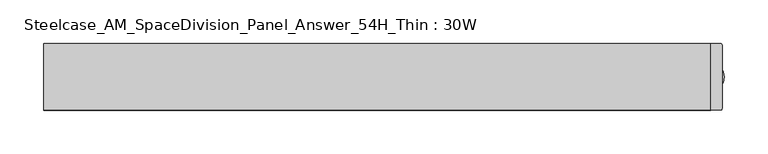
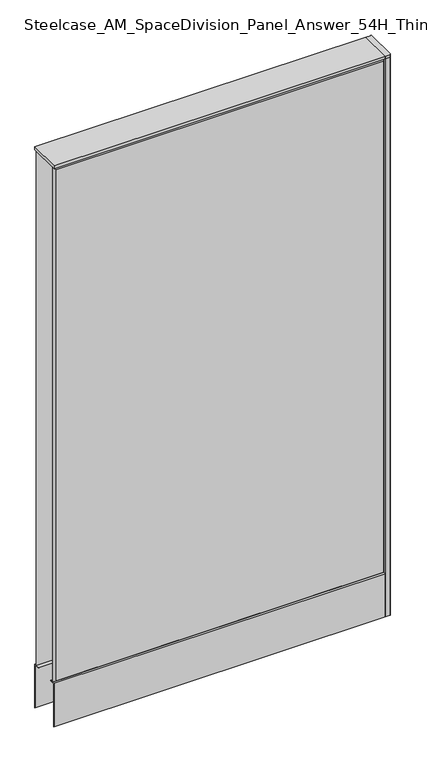
"""IFC4 building model written with IfcOpenShell, lengths in millimetres: furniture geometry, Steelcase_AM_SpaceDivision_Panel_Answer_54H_Thin : 30W."""

from ifc_helpers import new_model, si_unit, point, frame, frame_2d, origin, place, context, project, spatial, polyline, circle_curve, trimmed, segment, composite_curve, outline, extrude, faceted_brep, source, transform, mapped, element, save


def steelcase_am_spacedivision_panel_answer_54h_thin_30w_1694dc46(model_context):
    return source(origin(), model_context, "Body", "SolidModel", [
        extrude(outline(polyline([(37.3075215, 119.8575157), (25.4000011, 119.8575157), (25.4000011, 120.65), (38.1000194, 120.65), (38.1000194, 15.494), (37.3075215, 15.494), (37.3075215, 119.8575157)])), frame((-381.0, 0.0, 0.0), z_axis=(1.0, 0.0, 0.0), x_axis=(0.0, 1.0, 0.0)), (0.0, 0.0, 1.0), 762.0),
        extrude(outline(polyline([(-37.3075215, 119.8575157), (-37.3075215, 15.494), (-38.1000194, 15.494), (-38.1000194, 120.65), (-25.4000011, 120.65), (-25.4000011, 119.8575157), (-37.3075215, 119.8575157)])), frame((-381.0, 0.0, 0.0), z_axis=(1.0, 0.0, 0.0), x_axis=(0.0, 1.0, 0.0)), (0.0, 0.0, 1.0), 762.0),
        extrude(outline(composite_curve([segment(trimmed(circle_curve(frame_2d((381.0, -1.94e-05)), 5.08), [point((386.08, -1.94e-05))], [point((375.92, -1.94e-05))], False, "CARTESIAN"), True, "CONTINUOUS"), segment(trimmed(circle_curve(frame_2d((381.0, -1.94e-05)), 5.08), [point((375.92, -1.94e-05))], [point((386.08, -1.94e-05))], False, "CARTESIAN"), True, "CONTINUOUS")], self_intersect=False)), frame((0.0, 0.0, 5.0799671), z_axis=(0.0, 0.0, 1.0), x_axis=(1.0, 0.0, 0.0)), (0.0, 0.0, 1.0), 10.414),
        extrude(outline(composite_curve([segment(trimmed(circle_curve(frame_2d((381.0, -1.94e-05)), 15.24), [point((396.24, -1.94e-05))], [point((365.76, -1.94e-05))], False, "CARTESIAN"), True, "CONTINUOUS"), segment(trimmed(circle_curve(frame_2d((381.0, -1.94e-05)), 15.24), [point((365.76, -1.94e-05))], [point((396.24, -1.94e-05))], False, "CARTESIAN"), True, "CONTINUOUS")], self_intersect=False)), frame((0.0, 0.0, -3.29e-05), z_axis=(0.0, 0.0, 1.0), x_axis=(1.0, 0.0, 0.0)), (0.0, 0.0, 1.0), 5.08),
        extrude(outline(composite_curve([segment(polyline([(393.7, 36.322), (393.7, -36.322)]), True, "CONTINUOUS"), segment(trimmed(circle_curve(frame_2d((391.922, -36.322)), 1.778), [point((393.7, -36.322))], [point((391.922, -38.1))], False, "CARTESIAN"), True, "CONTINUOUS"), segment(polyline([(391.922, -38.1), (381.0, -38.1), (381.0, 38.1), (391.922, 38.1)]), True, "CONTINUOUS"), segment(trimmed(circle_curve(frame_2d((391.922, 36.322)), 1.778), [point((391.922, 38.1))], [point((393.7, 36.322))], False, "CARTESIAN"), True, "CONTINUOUS")], self_intersect=False)), frame((0.0, 0.0, 1371.5999671), z_axis=(0.0, 0.0, 1.0), x_axis=(1.0, 0.0, 0.0)), (0.0, 0.0, 1.0), 6.35),
        extrude(outline(composite_curve([segment(polyline([(393.7, 36.322), (393.7, -36.322)]), True, "CONTINUOUS"), segment(trimmed(circle_curve(frame_2d((391.922, -36.322)), 1.778), [point((393.7, -36.322))], [point((391.922, -38.1))], False, "CARTESIAN"), True, "CONTINUOUS"), segment(polyline([(391.922, -38.1), (381.0, -38.1), (381.0, 38.1), (391.922, 38.1)]), True, "CONTINUOUS"), segment(trimmed(circle_curve(frame_2d((391.922, 36.322)), 1.778), [point((391.922, 38.1))], [point((393.7, 36.322))], False, "CARTESIAN"), True, "CONTINUOUS")], self_intersect=False)), frame((0.0, 0.0, 15.4939671), z_axis=(0.0, 0.0, 1.0), x_axis=(1.0, 0.0, 0.0)), (0.0, 0.0, 1.0), 1356.106),
        faceted_brep([(-376.174, 38.0960552, 1366.774), (376.174, 38.0960552, 1366.774), (376.174, 38.0960552, 125.476), (-376.174, 38.0960552, 125.476), (-381.0, 33.2700552, 1371.6), (-381.0, 33.2700552, 120.65), (381.0, 33.2700552, 120.65), (381.0, 33.2700552, 1371.6)], [[[0, 1, 2, 3]], [[4, 5, 6, 7]], [[4, 7, 1, 0]], [[7, 6, 2, 1]], [[6, 5, 3, 2]], [[5, 4, 0, 3]]]),
        faceted_brep([(376.174, -38.0960552, 1366.774), (-376.174, -38.0960552, 1366.774), (-376.174, -38.0960552, 125.476), (376.174, -38.0960552, 125.476), (381.0, -33.2700552, 1371.6), (381.0, -33.2700552, 120.65), (-381.0, -33.2700552, 120.65), (-381.0, -33.2700552, 1371.6)], [[[0, 1, 2, 3]], [[4, 5, 6, 7]], [[4, 7, 1, 0]], [[7, 6, 2, 1]], [[6, 5, 3, 2]], [[5, 4, 0, 3]]]),
        extrude(outline(polyline([(381.0, 38.1000194), (381.0, -38.1000194), (-381.0, -38.1000194), (-381.0, 38.1000194), (381.0, 38.1000194)])), frame((0.0, 0.0, 1371.6), z_axis=(0.0, 0.0, 1.0), x_axis=(1.0, 0.0, 0.0)), (0.0, 0.0, 1.0), 6.35),
    ])


if __name__ == "__main__":
    model = new_model("IFC4")
    model_context = context("Model", 3, world=origin())
    ifc_project = project(units=[si_unit("LENGTHUNIT", "METRE", prefix="MILLI")], contexts=[model_context])
    site = spatial("IfcSite", under=ifc_project)
    building = spatial("IfcBuilding", under=site)
    placement = place(None, origin())
    steelcase_am_spacedivision_panel_answer_54h_thin_30w_shape = steelcase_am_spacedivision_panel_answer_54h_thin_30w_1694dc46(model_context)
    element("IfcFurniture", 1, ObjectType="Steelcase_AM_SpaceDivision_Panel_Answer_54H_Thin : 30W", at=placement, inside=building, context=model_context, shape_type="MappedRepresentation", body=[
        mapped(steelcase_am_spacedivision_panel_answer_54h_thin_30w_shape, transform((0.0, 0.0, 0.0), x_axis=(1.0, 0.0, 0.0), y_axis=(0.0, 1.0, 0.0), z_axis=(0.0, 0.0, 1.0))),
    ])
    save(model, "model.ifc")
